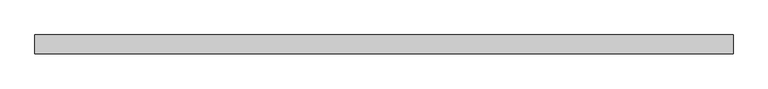
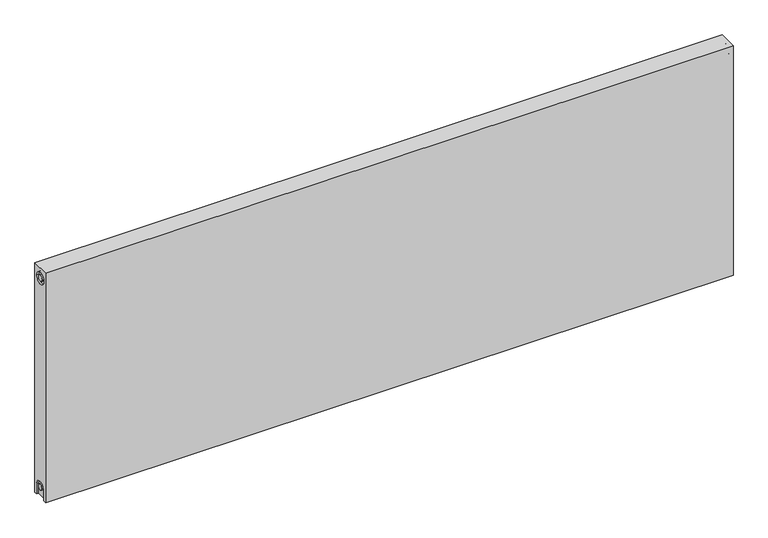
"""IFC4 building model written with IfcOpenShell, lengths in millimetres: proxy geometry."""

from ifc_helpers import new_model, si_unit, frame, origin, place, context, project, spatial, polyline, circle_curve, source, transform, mapped, element, save
from ifc_brep_helpers import plane_surface, cylinder_surface, revolved_surface, advanced_brep


def mechanical_equipment_ec223881(model_context):
    return source(origin(), model_context, "Body", "AdvancedBrep", [
        advanced_brep(
        [(1700.0, 23.0, 600.0), (1700.0, 23.0, 0.0), (0.0, 23.0, 0.0), (0.0, 23.0, 600.0), (1700.0, -23.0, 600.0), (0.0, -23.0, 600.0), (0.0, -23.0, 0.0), (1700.0, -23.0, 0.0), (1700.0, -15.0, 0.0), (1700.0, -15.0, 27.0), (1700.0, 15.0, 27.0), (1700.0, 15.0, 0.0), (1700.0, 14.7242393, 573.0), (1700.0, -15.2757607, 573.0), (1700.0, -7.5, 27.0), (1700.0, 7.5, 27.0), (1700.0, 7.2242393, 573.0), (1700.0, -7.7757607, 573.0), (1695.0, 15.0, 0.0), (1695.0, -15.0, 0.0), (0.0, -15.0, 0.0), (5.0, -15.0, 0.0), (5.0, 15.0, 0.0), (0.0, 15.0, 0.0), (0.0, 15.0, 27.0), (0.0, -15.0, 27.0), (0.0, -15.2757607, 573.0), (0.0, 14.7242393, 573.0), (0.0, -7.7757607, 573.0), (0.0, 7.2242393, 573.0), (0.0, 7.5, 27.0), (0.0, -7.5, 27.0), (5.0, -15.2757607, 573.0), (5.0, 14.7242393, 573.0), (5.0, -7.7757607, 573.0), (5.0, 7.2242393, 573.0), (5.0, -15.0, 27.0), (5.0, 15.0, 27.0), (5.0, -7.5, 27.0), (5.0, 7.5, 27.0), (1695.0, 15.0, 27.0), (1695.0, -15.0, 27.0), (1695.0, -7.5, 27.0), (1695.0, 7.5, 27.0), (1695.0, -15.2757607, 573.0), (1695.0, 14.7242393, 573.0), (1695.0, -7.7757607, 573.0), (1695.0, 7.2242393, 573.0)],
        [
            (0, 1),
            (1, 2),
            (2, 3),
            (3, 0),
            (4, 5),
            (5, 6),
            (6, 7),
            (7, 4),
            (0, 4),
            (7, 8),
            (8, 9),
            (9, 10, circle_curve(frame((1700.0, 0.0, 27.0), z_axis=(-1.0, 0.0, 0.0), x_axis=(0.0, 1.0, 0.0)), 15.0)),
            (10, 11),
            (11, 1),
            (12, 13, circle_curve(frame((1700.0, -0.2757607, 573.0), z_axis=(-1.0, 0.0, 0.0), x_axis=(0.0, 1.0, 0.0)), 15.0)),
            (13, 12, circle_curve(frame((1700.0, -0.2757607, 573.0), z_axis=(-1.0, 0.0, 0.0), x_axis=(0.0, 1.0, 0.0)), 15.0)),
            (14, 15, circle_curve(frame((1700.0, 0.0, 27.0), z_axis=(1.0, 0.0, 0.0), x_axis=(0.0, 1.0, 0.0)), 7.5)),
            (15, 14, circle_curve(frame((1700.0, 0.0, 27.0), z_axis=(1.0, 0.0, 0.0), x_axis=(0.0, 1.0, 0.0)), 7.5)),
            (16, 17, circle_curve(frame((1700.0, -0.2757607, 573.0), z_axis=(1.0, 0.0, 0.0), x_axis=(0.0, 1.0, 0.0)), 7.5)),
            (17, 16, circle_curve(frame((1700.0, -0.2757607, 573.0), z_axis=(1.0, 0.0, 0.0), x_axis=(0.0, 1.0, 0.0)), 7.5)),
            (11, 18),
            (18, 19),
            (19, 8),
            (6, 20),
            (20, 21),
            (21, 22),
            (22, 23),
            (23, 2),
            (23, 24),
            (24, 25, circle_curve(frame((0.0, 0.0, 27.0), z_axis=(1.0, 0.0, 0.0), x_axis=(0.0, 1.0, 0.0)), 15.0)),
            (25, 20),
            (5, 3),
            (26, 27, circle_curve(frame((0.0, -0.2757607, 573.0), z_axis=(1.0, 0.0, 0.0), x_axis=(0.0, 1.0, 0.0)), 15.0)),
            (27, 26, circle_curve(frame((0.0, -0.2757607, 573.0), z_axis=(1.0, 0.0, 0.0), x_axis=(0.0, 1.0, 0.0)), 15.0)),
            (28, 29, circle_curve(frame((0.0, -0.2757607, 573.0), z_axis=(-1.0, 0.0, 0.0), x_axis=(0.0, 1.0, 0.0)), 7.5)),
            (29, 28, circle_curve(frame((0.0, -0.2757607, 573.0), z_axis=(-1.0, 0.0, 0.0), x_axis=(0.0, 1.0, 0.0)), 7.5)),
            (30, 31, circle_curve(frame((0.0, 0.0, 27.0), z_axis=(-1.0, 0.0, 0.0), x_axis=(0.0, 1.0, 0.0)), 7.5)),
            (31, 30, circle_curve(frame((0.0, 0.0, 27.0), z_axis=(-1.0, 0.0, 0.0), x_axis=(0.0, 1.0, 0.0)), 7.5)),
            (32, 33, circle_curve(frame((5.0, -0.2757607, 573.0), z_axis=(-1.0, 0.0, 0.0), x_axis=(0.0, 1.0, 0.0)), 15.0)),
            (33, 32, circle_curve(frame((5.0, -0.2757607, 573.0), z_axis=(-1.0, 0.0, 0.0), x_axis=(0.0, 1.0, 0.0)), 15.0)),
            (34, 35, circle_curve(frame((5.0, -0.2757607, 573.0), z_axis=(1.0, 0.0, 0.0), x_axis=(0.0, 1.0, 0.0)), 7.5)),
            (35, 34, circle_curve(frame((5.0, -0.2757607, 573.0), z_axis=(1.0, 0.0, 0.0), x_axis=(0.0, 1.0, 0.0)), 7.5)),
            (33, 27),
            (26, 32),
            (35, 29),
            (28, 34),
            (21, 36),
            (36, 37, circle_curve(frame((5.0, 0.0, 27.0), z_axis=(-1.0, 0.0, 0.0), x_axis=(0.0, 1.0, 0.0)), 15.0)),
            (37, 22),
            (38, 39, circle_curve(frame((5.0, 0.0, 27.0), z_axis=(1.0, 0.0, 0.0), x_axis=(0.0, 1.0, 0.0)), 7.5)),
            (39, 38, circle_curve(frame((5.0, 0.0, 27.0), z_axis=(1.0, 0.0, 0.0), x_axis=(0.0, 1.0, 0.0)), 7.5)),
            (38, 31),
            (30, 39),
            (37, 24),
            (36, 25),
            (18, 40),
            (40, 41, circle_curve(frame((1695.0, 0.0, 27.0), z_axis=(1.0, 0.0, 0.0), x_axis=(0.0, 1.0, 0.0)), 15.0)),
            (41, 19),
            (42, 43, circle_curve(frame((1695.0, 0.0, 27.0), z_axis=(-1.0, 0.0, 0.0), x_axis=(0.0, 1.0, 0.0)), 7.5)),
            (43, 42, circle_curve(frame((1695.0, 0.0, 27.0), z_axis=(-1.0, 0.0, 0.0), x_axis=(0.0, 1.0, 0.0)), 7.5)),
            (43, 15),
            (14, 42),
            (10, 40),
            (9, 41),
            (44, 45, circle_curve(frame((1695.0, -0.2757607, 573.0), z_axis=(1.0, 0.0, 0.0), x_axis=(0.0, 1.0, 0.0)), 15.0)),
            (45, 44, circle_curve(frame((1695.0, -0.2757607, 573.0), z_axis=(1.0, 0.0, 0.0), x_axis=(0.0, 1.0, 0.0)), 15.0)),
            (46, 47, circle_curve(frame((1695.0, -0.2757607, 573.0), z_axis=(-1.0, 0.0, 0.0), x_axis=(0.0, 1.0, 0.0)), 7.5)),
            (47, 46, circle_curve(frame((1695.0, -0.2757607, 573.0), z_axis=(-1.0, 0.0, 0.0), x_axis=(0.0, 1.0, 0.0)), 7.5)),
            (44, 13),
            (12, 45),
            (46, 17),
            (16, 47),
        ],
        [
            plane_surface(frame((1700.0, 23.0, 600.0), z_axis=(0.0, 1.0, 0.0), x_axis=(0.0, 0.0, -1.0))),
            plane_surface(frame((1700.0, -23.0, 600.0), z_axis=(0.0, -1.0, 0.0), x_axis=(0.0, 0.0, 1.0))),
            plane_surface(frame((1700.0, 23.0, 600.0), z_axis=(1.0, 0.0, 0.0), x_axis=(0.0, -1.0, 0.0))),
            plane_surface(frame((1700.0, 23.0, 0.0), z_axis=(0.0, 0.0, -1.0), x_axis=(0.0, -1.0, 0.0))),
            plane_surface(frame((0.0, 23.0, 0.0), z_axis=(-1.0, 0.0, 0.0), x_axis=(0.0, -1.0, 0.0))),
            plane_surface(frame((0.0, 23.0, 600.0), z_axis=(0.0, 0.0, 1.0), x_axis=(0.0, -1.0, 0.0))),
            plane_surface(frame((5.0, 14.7242393, 573.0), z_axis=(-1.0, 0.0, 0.0), x_axis=(0.0, 0.0, 1.0))),
            revolved_surface(polyline([(5.0, 14.7242393, 573.0), (0.0, 14.7242393, 573.0)]), (0.0, -0.2757607, 573.0), (1.0, 0.0, 0.0)),
            cylinder_surface(frame((0.0, -0.2757607, 573.0), z_axis=(-1.0, 0.0, 0.0), x_axis=(0.0, 1.0, 0.0)), 7.5),
            plane_surface(frame((5.0, 7.5, 27.0), z_axis=(-1.0, 0.0, 0.0), x_axis=(0.0, 0.0, -1.0))),
            cylinder_surface(frame((0.0, 0.0, 27.0), z_axis=(-1.0, 0.0, 0.0), x_axis=(0.0, 1.0, 0.0)), 7.5),
            plane_surface(frame((5.0, 15.0, 0.0), z_axis=(0.0, -1.0, 0.0), x_axis=(-1.0, 0.0, 0.0))),
            revolved_surface(polyline([(5.0, 15.0, 27.0), (0.0, 15.0, 27.0)]), (0.0, 0.0, 27.0), (1.0, 0.0, 0.0)),
            plane_surface(frame((5.0, -15.0, 27.0), z_axis=(0.0, 1.0, 0.0), x_axis=(-1.0, 0.0, 0.0))),
            plane_surface(frame((1695.0, 7.5, 27.0), z_axis=(1.0, 0.0, 0.0), x_axis=(0.0, 0.0, 1.0))),
            cylinder_surface(frame((1695.0, 0.0, 27.0), z_axis=(-1.0, 0.0, 0.0), x_axis=(0.0, 1.0, 0.0)), 7.5),
            plane_surface(frame((1700.0, 15.0, 0.0), z_axis=(0.0, -1.0, 0.0), x_axis=(-1.0, 0.0, 0.0))),
            revolved_surface(polyline([(1700.0, 15.0, 27.0), (1695.0, 15.0, 27.0)]), (895.0, 0.0, 27.0), (1.0, 0.0, 0.0)),
            plane_surface(frame((1700.0, -15.0, 27.0), z_axis=(0.0, 1.0, 0.0), x_axis=(-1.0, 0.0, 0.0))),
            plane_surface(frame((1695.0, 14.7242393, 573.0), z_axis=(1.0, 0.0, 0.0), x_axis=(0.0, 0.0, -1.0))),
            revolved_surface(polyline([(1700.0, 14.7242393, 573.0), (1695.0, 14.7242393, 573.0)]), (1695.0, -0.2757607, 573.0), (1.0, 0.0, 0.0)),
            cylinder_surface(frame((895.0, -0.2757607, 573.0), z_axis=(-1.0, 0.0, 0.0), x_axis=(0.0, 1.0, 0.0)), 7.5),
        ],
        [
            (0, [[1, 2, 3, 4]]),
            (1, [[5, 6, 7, 8]]),
            (2, [[-1, 9, -8, 10, 11, 12, 13, 14], [15, 16]]),
            (2, [[17, 18]]),
            (2, [[19, 20]]),
            (3, [[-2, -14, 21, 22, 23, -10, -7, 24, 25, 26, 27, 28]]),
            (4, [[-3, -28, 29, 30, 31, -24, -6, 32], [33, 34]]),
            (4, [[35, 36]]),
            (4, [[37, 38]]),
            (5, [[-4, -32, -5, -9]]),
            (6, [[39, 40], [41, 42]]),
            (7, [[-40, 43, -33, 44]]),
            (7, [[-39, -44, -34, -43]]),
            (8, [[-42, 45, -35, 46]]),
            (8, [[-41, -46, -36, -45]]),
            (9, [[47, 48, 49, -26], [50, 51]]),
            (10, [[-50, 52, -37, 53]]),
            (10, [[-51, -53, -38, -52]]),
            (11, [[-49, 54, -29, -27]]),
            (12, [[-48, 55, -30, -54]]),
            (13, [[-47, -25, -31, -55]]),
            (14, [[56, 57, 58, -22], [59, 60]]),
            (15, [[-60, 61, -17, 62]]),
            (15, [[-59, -62, -18, -61]]),
            (16, [[-56, -21, -13, 63]]),
            (17, [[-57, -63, -12, 64]]),
            (18, [[-58, -64, -11, -23]]),
            (19, [[65, 66], [67, 68]]),
            (20, [[-65, 69, -15, 70]]),
            (20, [[-66, -70, -16, -69]]),
            (21, [[-67, 71, -19, 72]]),
            (21, [[-68, -72, -20, -71]]),
        ],
    ),
    ])


if __name__ == "__main__":
    model = new_model("IFC4")
    model_context = context("Model", 3, world=origin())
    ifc_project = project(units=[si_unit("LENGTHUNIT", "METRE", prefix="MILLI")], contexts=[model_context])
    site = spatial("IfcSite", under=ifc_project)
    building = spatial("IfcBuilding", under=site)
    placement = place(None, origin())
    mechanical_equipment_shape = mechanical_equipment_ec223881(model_context)
    element("IfcBuildingElementProxy", 1, Name="Mechanical Equipment", at=placement, inside=building, context=model_context, shape_type="MappedRepresentation", body=[
        mapped(mechanical_equipment_shape, transform((0.0, 0.0, 0.0), x_axis=(1.0, 0.0, 0.0), y_axis=(0.0, 1.0, 0.0), z_axis=(0.0, 0.0, 1.0))),
    ])
    save(model, "model.ifc")
